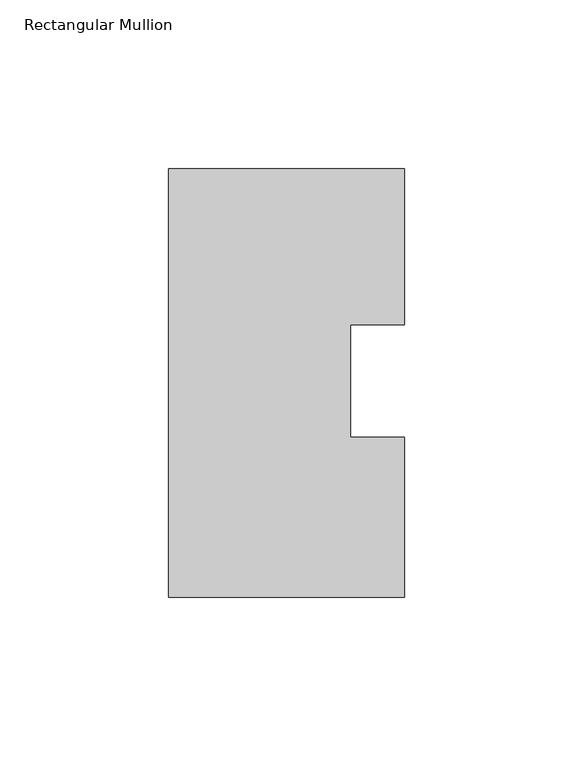
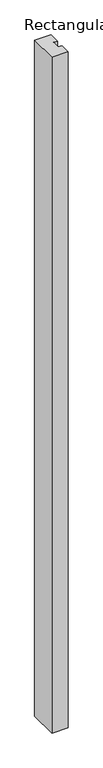
"""IFC4 building model written with IfcOpenShell, lengths in millimetres: member geometry, Rectangular Mullion."""

from ifc_helpers import new_model, si_unit, frame, origin, place, context, project, spatial, polyline, outline, extrude, source, transform, mapped, element, save


def rectangular_mullion_9b967f4e(model_context):
    return source(origin(), model_context, "Body", "SweptSolid", [
        extrude(outline(polyline([(-69.85, 63.5), (0.0, 63.5), (0.0, 17.3187346), (-15.875, 17.3187346), (-15.875, -16.0406112), (0.0, -16.0406112), (0.0, -63.5), (-69.85, -63.5), (-69.85, 63.5)])), frame((0.0, 0.0, -3048.0), z_axis=(0.0, 0.0, 1.0), x_axis=(1.0, 0.0, 0.0)), (0.0, 0.0, 1.0), 3048.0),
    ])


if __name__ == "__main__":
    model = new_model("IFC4")
    model_context = context("Model", 3, world=origin())
    ifc_project = project(units=[si_unit("LENGTHUNIT", "METRE", prefix="MILLI")], contexts=[model_context])
    site = spatial("IfcSite", under=ifc_project)
    building = spatial("IfcBuilding", under=site)
    placement = place(None, origin())
    rectangular_mullion_shape = rectangular_mullion_9b967f4e(model_context)
    element("IfcMember", 1, ObjectType="Rectangular Mullion", at=placement, inside=building, context=model_context, shape_type="MappedRepresentation", body=[
        mapped(rectangular_mullion_shape, transform((0.0, 0.0, 0.0), x_axis=(1.0, 0.0, 0.0), y_axis=(0.0, 1.0, 0.0), z_axis=(0.0, 0.0, 1.0))),
    ])
    save(model, "model.ifc")
